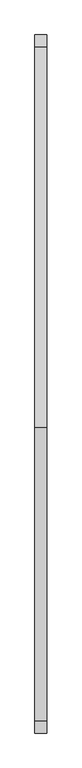
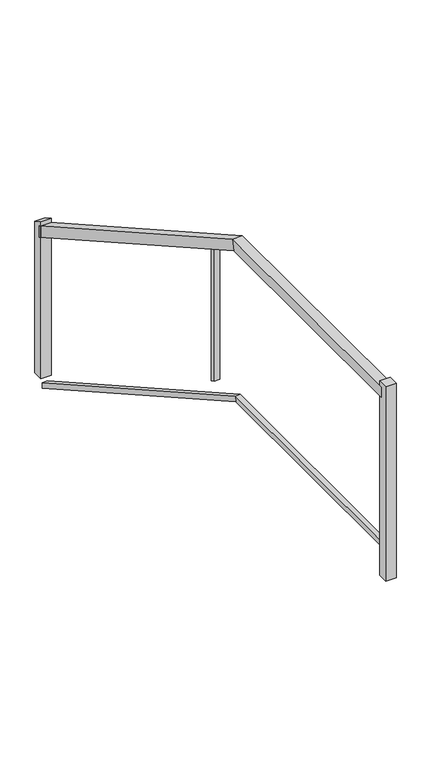
"""IFC4 building model written with IfcOpenShell, lengths in millimetres: railing geometry."""

from ifc_helpers import new_model, si_unit, frame, origin, place, context, project, spatial, polyline, outline, extrude, faceted_brep, source, transform, mapped, element, save


def railing_5f123583(model_context):
    return source(origin(), model_context, "Body", "SolidModel", [
        faceted_brep([(-21119.202851, 121048.0306038, 2268.760957), (-21068.402851, 121048.0306038, 2268.760957), (-21068.402851, 121048.0306038, 2210.439043), (-21119.202851, 121048.0306038, 2210.439043), (-21119.202851, 119422.699315, 3185.4), (-21068.402851, 119422.699315, 3185.4), (-21068.402851, 119409.3618926, 3134.6), (-21119.202851, 119409.3618926, 3134.6), (-21119.202851, 118164.9295585, 3185.4), (-21119.202851, 118164.9295585, 3134.6), (-21068.402851, 118164.9295585, 3134.6), (-21068.402851, 118164.9295585, 3185.4)], [[[0, 1, 2, 3]], [[1, 0, 4, 5]], [[2, 1, 5, 6]], [[3, 2, 6, 7]], [[0, 3, 7, 4]], [[8, 9, 10, 11]], [[5, 4, 8, 11]], [[6, 5, 11, 10]], [[7, 6, 10, 9]], [[4, 7, 9, 8]]]),
        faceted_brep([(-21106.502851, 121048.0306038, 1456.5804785), (-21081.102851, 121048.0306038, 1456.5804785), (-21081.102851, 121048.0306038, 1427.4195215), (-21106.502851, 121048.0306038, 1427.4195215), (-21106.502851, 119419.3649594, 2375.1), (-21081.102851, 119419.3649594, 2375.1), (-21081.102851, 119412.6962482, 2349.7), (-21106.502851, 119412.6962482, 2349.7), (-21106.502851, 118164.9295585, 2375.1), (-21106.502851, 118164.9295585, 2349.7), (-21081.102851, 118164.9295585, 2349.7), (-21081.102851, 118164.9295585, 2375.1)], [[[0, 1, 2, 3]], [[1, 0, 4, 5]], [[2, 1, 5, 6]], [[3, 2, 6, 7]], [[0, 3, 7, 4]], [[8, 9, 10, 11]], [[5, 4, 8, 11]], [[6, 5, 11, 10]], [[7, 6, 10, 9]], [[4, 7, 9, 8]]]),
        extrude(outline(polyline([(119619.1800812, 3058.1296697), (119619.1800812, 2332.3731883), (119593.7800812, 2346.6980413), (119593.7800812, 3072.4545227), (119619.1800812, 3058.1296697)])), frame((-21106.502851, 0.0, 0.0), z_axis=(1.0, 0.0, 0.0), x_axis=(0.0, 1.0, 0.0)), (0.0, 0.0, 1.0), 25.4),
        extrude(outline(polyline([(-21068.402851, 118177.6295585), (-21068.402851, 118126.8295585), (-21119.202851, 118126.8295585), (-21119.202851, 118177.6295585), (-21068.402851, 118177.6295585)])), frame((0.0, 0.0, 2210.0), z_axis=(0.0, 0.0, 1.0), x_axis=(1.0, 0.0, 0.0)), (0.0, 0.0, 1.0), 1000.9),
        extrude(outline(polyline([(121086.1306038, 2269.0127206), (121086.1306038, 1489.6), (121035.3306038, 1489.6), (121035.3306038, 2297.6624265), (121086.1306038, 2269.0127206)])), frame((-21119.202851, 0.0, 0.0), z_axis=(1.0, 0.0, 0.0), x_axis=(0.0, 1.0, 0.0)), (0.0, 0.0, 1.0), 50.8),
    ])


if __name__ == "__main__":
    model = new_model("IFC4")
    model_context = context("Model", 3, world=origin())
    ifc_project = project(units=[si_unit("LENGTHUNIT", "METRE", prefix="MILLI")], contexts=[model_context])
    site = spatial("IfcSite", under=ifc_project)
    building = spatial("IfcBuilding", under=site)
    placement = place(None, origin())
    railing_shape = railing_5f123583(model_context)
    element("IfcRailing", 1, at=placement, inside=building, context=model_context, shape_type="MappedRepresentation", body=[
        mapped(railing_shape, transform((0.0, 0.0, 0.0), x_axis=(1.0, 0.0, 0.0), y_axis=(0.0, 1.0, 0.0), z_axis=(0.0, 0.0, 1.0))),
    ])
    save(model, "model.ifc")
